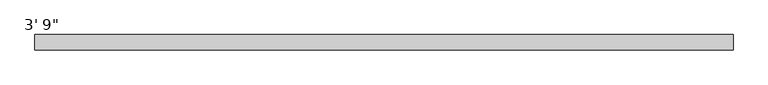
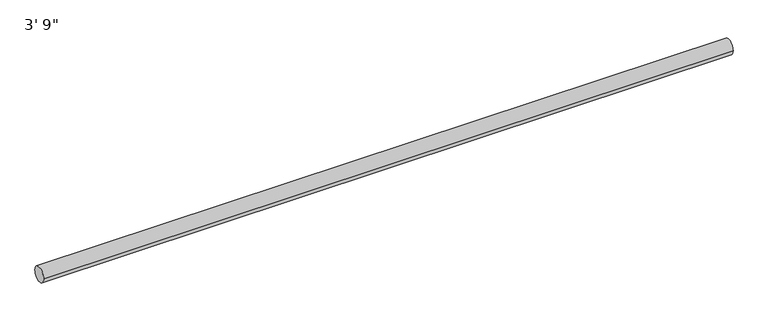
"""IFC4 building model written with IfcOpenShell, lengths in millimetres: furniture geometry."""

import ifcopenshell
import ifcopenshell.guid

model = None  # the IFC model being written
_history = None  # IfcOwnerHistory: only IFC2X3 demands one
_inside = {}  # id of a spatial element -> (the spatial element, [elements in it])
_under = {}  # id of a project, library or spatial element -> (it, [spatial elements below it])
_declared = {}  # id of a project -> (the project, [libraries it declares])
_typed = {}  # id of a type object -> (the type object, [elements of that type])
_made_of = {}  # id of a material, layer set ... -> (it, [elements and type objects made of it])


def new_model(schema):
    """Start an empty IFC model of exactly this schema.

    Asked for "IFC4X3", IfcOpenShell would pick the latest addendum, in which some entities
    have other attributes; the version numbers below select the first issue.
    IFC2X3 requires an IfcOwnerHistory on every rooted entity: one is made here for all.
    """
    global model, _history
    if schema == "IFC4X3":
        model = ifcopenshell.file(schema_version=(4, 3, 0, 0))
    else:
        model = ifcopenshell.file(schema=schema)
    _inside.clear()
    _under.clear()
    _declared.clear()
    _typed.clear()
    _made_of.clear()
    _history = None
    if model.schema == "IFC2X3":
        org = make("IfcOrganization", Name="unknown")
        user = make(
            "IfcPersonAndOrganization",
            ThePerson=make("IfcPerson", FamilyName="unknown"),
            TheOrganization=org,
        )
        app = make(
            "IfcApplication",
            ApplicationDeveloper=org,
            Version="unknown",
            ApplicationFullName="unknown",
            ApplicationIdentifier="unknown",
        )
        _history = make(
            "IfcOwnerHistory",
            OwningUser=user,
            OwningApplication=app,
            ChangeAction="ADDED",
            CreationDate=0,
        )
    return model


def make(cls, **values):
    """One entity of the class cls with the attributes given. An attribute that is None is left unset."""
    return model.create_entity(
        cls, **{name: value for name, value in values.items() if value is not None}
    )


def rooted(cls, **values):
    """An entity with a GlobalId (a new one), such as an element, a storey or a relation."""
    return make(cls, GlobalId=ifcopenshell.guid.new(), OwnerHistory=_history, **values)


def si_unit(unit_type, name, prefix=None):
    """IfcSIUnit, for example si_unit("LENGTHUNIT", "METRE", prefix="MILLI")."""
    return make("IfcSIUnit", UnitType=unit_type, Prefix=prefix, Name=name)


def assignment(units):
    """IfcUnitAssignment: the units of a project."""
    return None if units is None else make("IfcUnitAssignment", Units=units)


def point(xyz):
    """IfcCartesianPoint."""
    return None if xyz is None else make("IfcCartesianPoint", Coordinates=xyz)


def direction(xyz):
    """IfcDirection."""
    return None if xyz is None else make("IfcDirection", DirectionRatios=xyz)


def frame(location, z_axis=None, x_axis=None):
    """IfcAxis2Placement3D, a coordinate frame: its origin and axes. An axis left out is left unset."""
    return make(
        "IfcAxis2Placement3D",
        Location=point(location),
        Axis=direction(z_axis),
        RefDirection=direction(x_axis),
    )


def frame_2d(location, x_axis=None):
    """IfcAxis2Placement2D, a coordinate frame in the plane: its origin and x axis."""
    return make(
        "IfcAxis2Placement2D", Location=point(location), RefDirection=direction(x_axis)
    )


def origin():
    """The frame at (0, 0, 0) with its axes left unset."""
    return frame((0.0, 0.0, 0.0))


def place(relative_to, where):
    """IfcLocalPlacement: puts the frame where relative to a parent placement (None: the world)."""
    return make(
        "IfcLocalPlacement", PlacementRelTo=relative_to, RelativePlacement=where
    )


def context(
    kind, dimensions, precision=None, world=None, true_north=None, identifier=None
):
    """IfcGeometricRepresentationContext, for example the 3D "Model" context."""
    return make(
        "IfcGeometricRepresentationContext",
        ContextIdentifier=identifier,
        ContextType=kind,
        CoordinateSpaceDimension=dimensions,
        Precision=precision,
        WorldCoordinateSystem=world,
        TrueNorth=true_north,
    )


def project(units=None, contexts=None):
    """IfcProject with its units and contexts."""
    return rooted(
        "IfcProject",
        Name="project",
        RepresentationContexts=contexts,
        UnitsInContext=assignment(units),
    )


def spatial(cls, under=None, at=None, **own):
    """A site, building, storey or space (cls), placed at a placement, below another one or the project."""
    s = rooted(cls, ObjectPlacement=at, **own)
    if under is not None:
        _under.setdefault(under.id(), (under, []))[1].append(s)
    return s


def circle_curve(where, radius):
    """IfcCircle in the frame where."""
    return make("IfcCircle", Position=where, Radius=radius)


def trimmed(basis, trim1, trim2, sense, master):
    """IfcTrimmedCurve: the piece of a basis curve between two trims."""
    return make(
        "IfcTrimmedCurve",
        BasisCurve=basis,
        Trim1=trim1,
        Trim2=trim2,
        SenseAgreement=sense,
        MasterRepresentation=master,
    )


def segment(curve, same_sense, transition):
    """IfcCompositeCurveSegment."""
    return make(
        "IfcCompositeCurveSegment",
        Transition=transition,
        SameSense=same_sense,
        ParentCurve=curve,
    )


def composite_curve(segments, self_intersect=None):
    """IfcCompositeCurve: segments joined end to end."""
    return make("IfcCompositeCurve", Segments=segments, SelfIntersect=self_intersect)


def outline(outer, holes=None, kind="AREA"):
    """IfcArbitraryClosedProfileDef: a profile drawn as a closed curve; with holes, ...WithVoids."""
    if holes is None:
        return make("IfcArbitraryClosedProfileDef", ProfileType=kind, OuterCurve=outer)
    return make(
        "IfcArbitraryProfileDefWithVoids",
        ProfileType=kind,
        OuterCurve=outer,
        InnerCurves=holes,
    )


def extrude(swept, where, along, depth):
    """IfcExtrudedAreaSolid: the profile swept, set in the frame where, extruded along a direction by depth."""
    return make(
        "IfcExtrudedAreaSolid",
        SweptArea=swept,
        Position=where,
        ExtrudedDirection=direction(along),
        Depth=depth,
    )


def shape(context_of_items, identifier, shape_type, items):
    """IfcShapeRepresentation: the items that make up one representation, for example the "Body"."""
    return make(
        "IfcShapeRepresentation",
        ContextOfItems=context_of_items,
        RepresentationIdentifier=identifier,
        RepresentationType=shape_type,
        Items=items,
    )


def source(mapping_origin, context_of_items, identifier, shape_type, items):
    """IfcRepresentationMap: a shape defined once, which mapped items show again and again."""
    return make(
        "IfcRepresentationMap",
        MappingOrigin=mapping_origin,
        MappedRepresentation=shape(context_of_items, identifier, shape_type, items),
    )


def transform(
    local_origin,
    x_axis=None,
    y_axis=None,
    z_axis=None,
    scale=None,
    scale2=None,
    scale3=None,
    uniform=True,
):
    """IfcCartesianTransformationOperator3D, or its non-uniform kind. x_axis, y_axis, z_axis: its Axis1, 2, 3."""
    if uniform:
        return make(
            "IfcCartesianTransformationOperator3D",
            Axis1=direction(x_axis),
            Axis2=direction(y_axis),
            LocalOrigin=point(local_origin),
            Scale=scale,
            Axis3=direction(z_axis),
        )
    return make(
        "IfcCartesianTransformationOperator3DnonUniform",
        Axis1=direction(x_axis),
        Axis2=direction(y_axis),
        LocalOrigin=point(local_origin),
        Scale=scale,
        Axis3=direction(z_axis),
        Scale2=scale2,
        Scale3=scale3,
    )


def mapped(mapping_source, mapping_target):
    """IfcMappedItem: shows the shape of a source again, moved by a transform."""
    return make(
        "IfcMappedItem", MappingSource=mapping_source, MappingTarget=mapping_target
    )


def made_of(thing, what):
    """Note that an element or type object is made of a material, layer set ...; save() writes the relation."""
    if what is not None:
        _made_of.setdefault(what.id(), (what, []))[1].append(thing)
    return thing


def element(
    cls,
    number,
    at=None,
    inside=None,
    cuts=None,
    type_object=None,
    material=None,
    context=None,
    identifier="Body",
    shape_type=None,
    held_by="IfcProductDefinitionShape",
    body=None,
    shapes=None,
    **own,
):
    """One element of the class cls, such as IfcWall. Its Tag is "e" and its number.

    at: its placement. inside: the storey or other place that contains it. cuts: it is an
    opening in that element (IfcRelVoidsElement). A single representation is given by context,
    identifier, shape_type and body (its items); several are given by shapes. held_by: the class
    of the entity that holds the representations. save() writes the other relations.
    """
    e = rooted(cls, Tag="e%d" % number, ObjectPlacement=at, **own)
    if body is not None:
        shapes = [shape(context, identifier, shape_type, body)]
    if shapes is not None:
        e.Representation = make(held_by, Representations=shapes)
    if inside is not None:
        _inside.setdefault(inside.id(), (inside, []))[1].append(e)
    if cuts is not None:
        rooted(
            "IfcRelVoidsElement", RelatingBuildingElement=cuts, RelatedOpeningElement=e
        )
    if type_object is not None:
        _typed.setdefault(type_object.id(), (type_object, []))[1].append(e)
    return made_of(e, material)


def aggregate(whole, parts):
    """IfcRelAggregates: a whole, such as a stair, and the parts it consists of."""
    return rooted("IfcRelAggregates", RelatingObject=whole, RelatedObjects=parts)


def save(model, path):
    """Write the relations noted so far, then the file.

    IfcRelAggregates (storeys below a building ...), IfcRelContainedInSpatialStructure (elements
    in a storey), IfcRelDefinesByType, IfcRelAssociatesMaterial and IfcRelDeclares: one each for
    every whole, place, type object, material and project.
    """
    for whole, parts in _under.values():
        aggregate(whole, parts)
    for where, things in _inside.values():
        rooted(
            "IfcRelContainedInSpatialStructure",
            RelatedElements=things,
            RelatingStructure=where,
        )
    for kind, things in _typed.values():
        rooted("IfcRelDefinesByType", RelatedObjects=things, RelatingType=kind)
    for what, things in _made_of.values():
        rooted("IfcRelAssociatesMaterial", RelatedObjects=things, RelatingMaterial=what)
    for by, libraries in _declared.values():
        rooted("IfcRelDeclares", RelatingContext=by, RelatedDefinitions=libraries)
    model.write(path)


def furniture_3c329bcb(model_context):
    return source(origin(), model_context, "Body", "SweptSolid", [
        extrude(outline(composite_curve([segment(trimmed(circle_curve(frame_2d((-342.9, -12.7)), 12.7), [point((-330.2, -12.7))], [point((-355.6, -12.7))], False, "CARTESIAN"), True, "CONTINUOUS"), segment(trimmed(circle_curve(frame_2d((-342.9, -12.7)), 12.7), [point((-355.6, -12.7))], [point((-330.2, -12.7))], False, "CARTESIAN"), True, "CONTINUOUS")], self_intersect=False)), frame((-552.7622951, 0.0, 0.0), z_axis=(1.0, 0.0, 0.0), x_axis=(0.0, 1.0, 0.0)), (0.0, 0.0, 1.0), 1143.0),
    ])


if __name__ == "__main__":
    model = new_model("IFC4")
    model_context = context("Model", 3, world=origin())
    ifc_project = project(units=[si_unit("LENGTHUNIT", "METRE", prefix="MILLI")], contexts=[model_context])
    site = spatial("IfcSite", under=ifc_project)
    building = spatial("IfcBuilding", under=site)
    placement = place(None, origin())
    furniture_shape = furniture_3c329bcb(model_context)
    element("IfcFurniture", 1, ObjectType="3' 9\"", at=placement, inside=building, context=model_context, shape_type="MappedRepresentation", body=[
        mapped(furniture_shape, transform((0.0, 0.0, 0.0), x_axis=(1.0, 0.0, 0.0), y_axis=(0.0, 1.0, 0.0), z_axis=(0.0, 0.0, 1.0))),
    ])
    save(model, "model.ifc")
